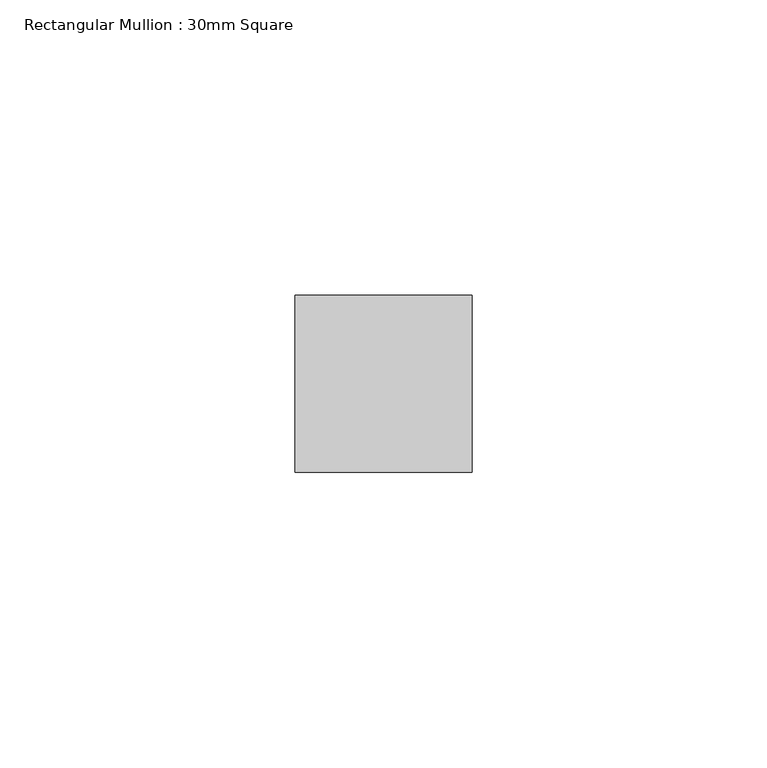
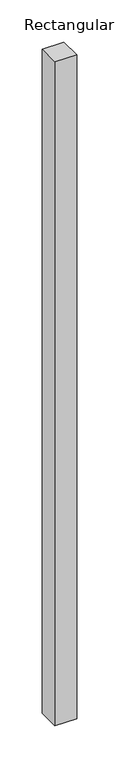
"""IFC4 building model written with IfcOpenShell, lengths in millimetres: member geometry, Rectangular Mullion : 30mm Square."""

from ifc_helpers import new_model, si_unit, frame, origin, place, context, project, spatial, polyline, outline, extrude, source, transform, mapped, element, save


def rectangular_mullion_30mm_square_09404d95(model_context):
    return source(origin(), model_context, "Body", "SweptSolid", [
        extrude(outline(polyline([(15.0, 15.0), (15.0, -15.0), (-15.0, -15.0), (-15.0, 15.0), (15.0, 15.0)])), frame((0.0, 0.0, -964.132638), z_axis=(0.0, 0.0, 1.0), x_axis=(1.0, 0.0, 0.0)), (0.0, 0.0, 1.0), 964.132638),
    ])


if __name__ == "__main__":
    model = new_model("IFC4")
    model_context = context("Model", 3, world=origin())
    ifc_project = project(units=[si_unit("LENGTHUNIT", "METRE", prefix="MILLI")], contexts=[model_context])
    site = spatial("IfcSite", under=ifc_project)
    building = spatial("IfcBuilding", under=site)
    placement = place(None, origin())
    rectangular_mullion_30mm_square_shape = rectangular_mullion_30mm_square_09404d95(model_context)
    element("IfcMember", 1, ObjectType="Rectangular Mullion : 30mm Square", at=placement, inside=building, context=model_context, shape_type="MappedRepresentation", body=[
        mapped(rectangular_mullion_30mm_square_shape, transform((0.0, 0.0, 0.0), x_axis=(1.0, 0.0, 0.0), y_axis=(0.0, 1.0, 0.0), z_axis=(0.0, 0.0, 1.0))),
    ])
    save(model, "model.ifc")
